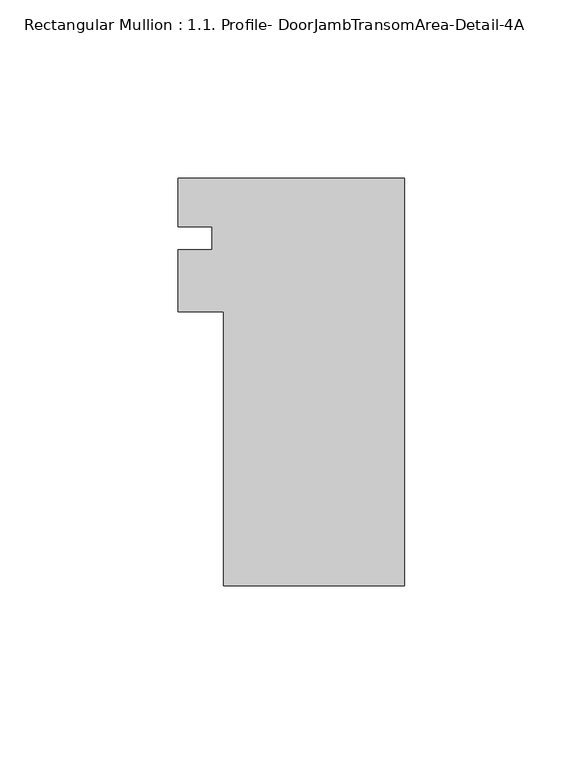
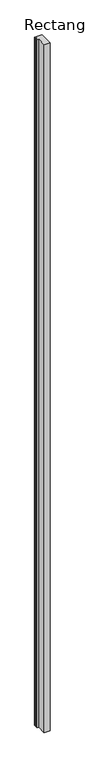
"""IFC4 building model written with IfcOpenShell, lengths in millimetres: member geometry, Rectangular Mullion : 1.1. Profile- DoorJambTransomArea-Detail-4A."""

from ifc_helpers import new_model, si_unit, frame, origin, place, context, project, spatial, polyline, outline, extrude, source, transform, mapped, element, save


def rectangular_mullion_1_1_profile_doorjambtransomarea_detail_8c20dc12(model_context):
    return source(origin(), model_context, "Body", "SweptSolid", [
        extrude(outline(polyline([(-50.8, -57.235725), (-50.8, 19.599275), (-63.4999959, 19.599275), (-63.4999959, 37.0973739), (-53.9749959, 37.0973739), (-53.9749959, 43.411775), (-63.4999959, 43.411775), (-63.4999959, 57.064275), (0.0, 57.064275), (0.0, -57.235725), (-50.8, -57.235725)])), frame((0.0, 0.0, -6096.0), z_axis=(0.0, 0.0, 1.0), x_axis=(1.0, 0.0, 0.0)), (0.0, 0.0, 1.0), 6096.0),
    ])


if __name__ == "__main__":
    model = new_model("IFC4")
    model_context = context("Model", 3, world=origin())
    ifc_project = project(units=[si_unit("LENGTHUNIT", "METRE", prefix="MILLI")], contexts=[model_context])
    site = spatial("IfcSite", under=ifc_project)
    building = spatial("IfcBuilding", under=site)
    placement = place(None, origin())
    rectangular_mullion_1_1_profile_doorjambtransomarea_detail_shape = rectangular_mullion_1_1_profile_doorjambtransomarea_detail_8c20dc12(model_context)
    element("IfcMember", 1, ObjectType="Rectangular Mullion : 1.1. Profile- DoorJambTransomArea-Detail-4A", at=placement, inside=building, context=model_context, shape_type="MappedRepresentation", body=[
        mapped(rectangular_mullion_1_1_profile_doorjambtransomarea_detail_shape, transform((0.0, 0.0, 0.0), x_axis=(1.0, 0.0, 0.0), y_axis=(0.0, 1.0, 0.0), z_axis=(0.0, 0.0, 1.0))),
    ])
    save(model, "model.ifc")
